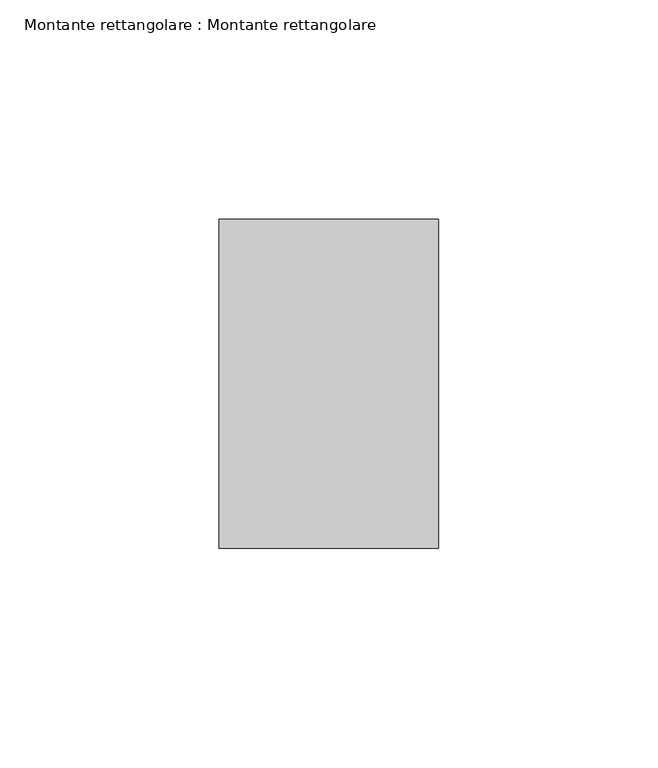
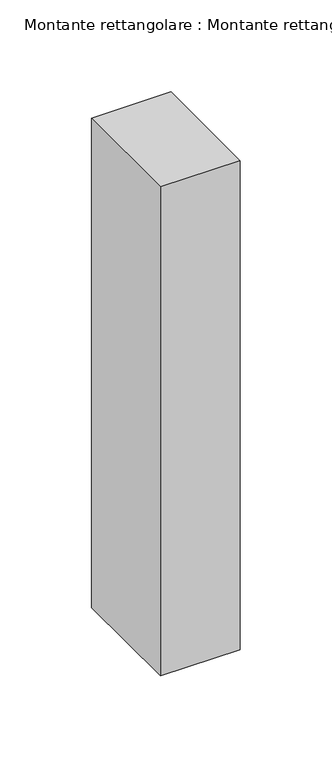
"""IFC4 building model written with IfcOpenShell, lengths in millimetres: member geometry, Montante rettangolare : Montante rettangolare."""

from ifc_helpers import new_model, si_unit, origin, place, context, project, spatial, faceted_brep, source, transform, mapped, element, save


def montante_rettangolare_montante_rettangolare_e146d977(model_context):
    return source(origin(), model_context, "Body", "Brep", [
        faceted_brep([(-50.0, 37.5, 0.082236), (0.0, 37.5, 0.082236), (0.0, 37.5, -325.1825623), (-50.0, 37.5, -325.1825622), (-50.0, -37.5, -0.0824771), (-50.0, -37.4450053, -325.01797), (0.0, -37.5, -0.0824771), (0.0, -37.5, -325.0178493)], [[[0, 1, 2, 3]], [[4, 0, 3, 5]], [[6, 4, 5, 7]], [[1, 6, 7, 2]], [[1, 0, 4, 6]], [[2, 7, 5, 3]]]),
    ])


if __name__ == "__main__":
    model = new_model("IFC4")
    model_context = context("Model", 3, world=origin())
    ifc_project = project(units=[si_unit("LENGTHUNIT", "METRE", prefix="MILLI")], contexts=[model_context])
    site = spatial("IfcSite", under=ifc_project)
    building = spatial("IfcBuilding", under=site)
    placement = place(None, origin())
    montante_rettangolare_montante_rettangolare_shape = montante_rettangolare_montante_rettangolare_e146d977(model_context)
    element("IfcMember", 1, ObjectType="Montante rettangolare : Montante rettangolare", at=placement, inside=building, context=model_context, shape_type="MappedRepresentation", body=[
        mapped(montante_rettangolare_montante_rettangolare_shape, transform((0.0, 0.0, 0.0), x_axis=(1.0, 0.0, 0.0), y_axis=(0.0, 1.0, 0.0), z_axis=(0.0, 0.0, 1.0))),
    ])
    save(model, "model.ifc")
